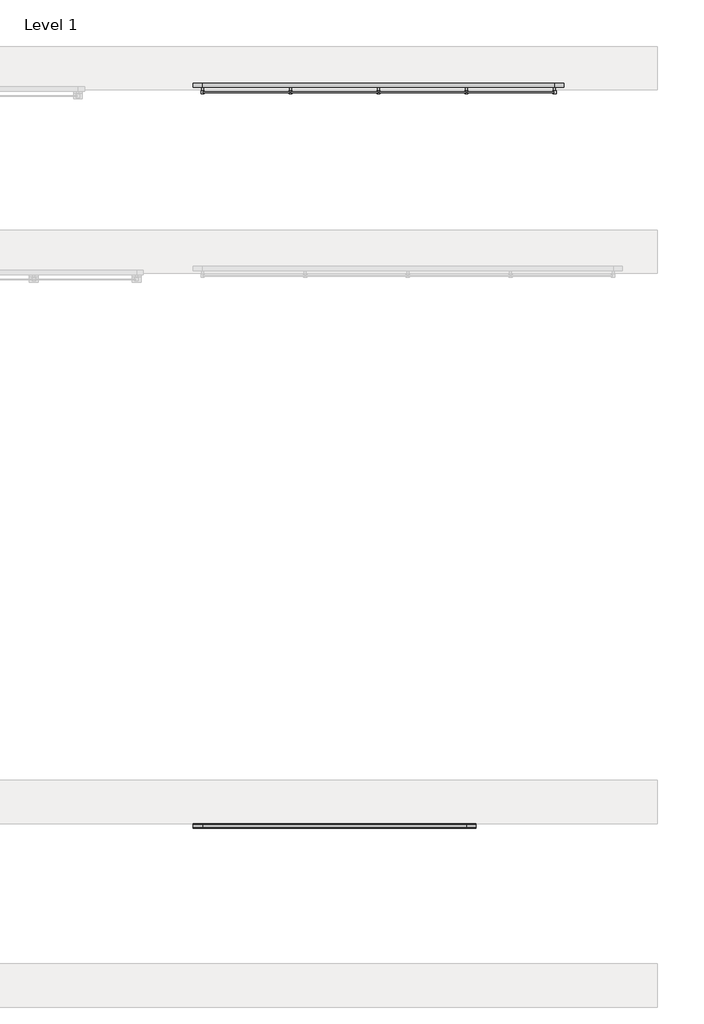
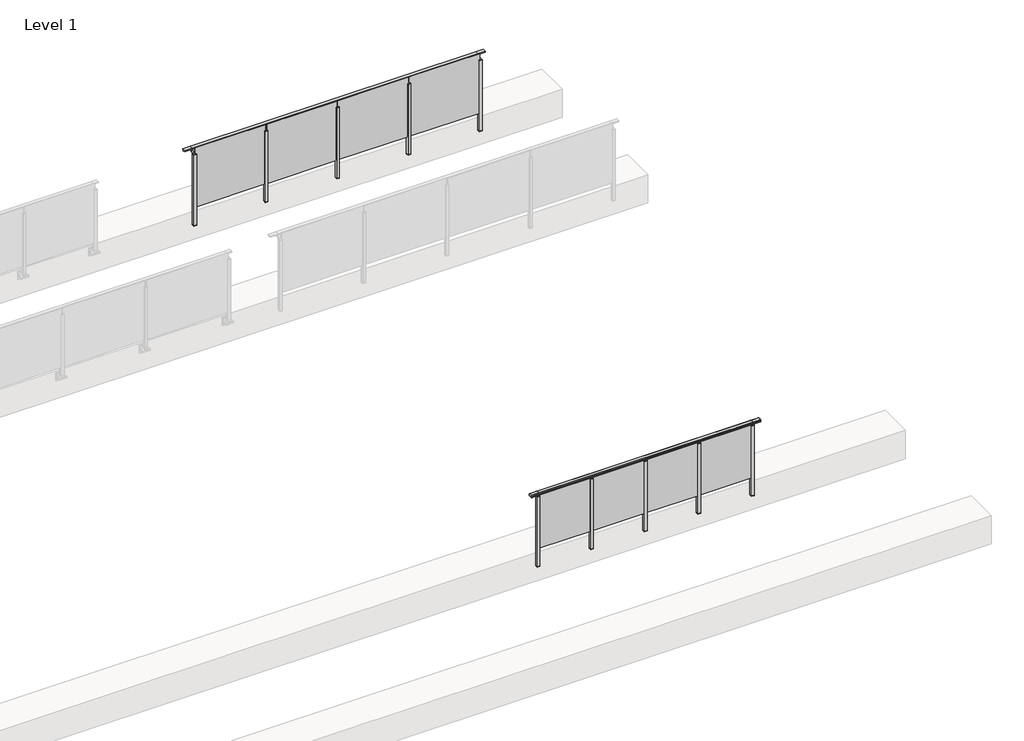
# One storey, part 61 of 64: 2 railings.
"""IFC4 building model written with IfcOpenShell, lengths in millimetres."""

from ifc_helpers import new_model, si_unit, point, frame, frame_2d, origin, place, context, project, spatial, polyline, circle_curve, trimmed, segment, composite_curve, outline, extrude, faceted_brep, element, save
from ifc_brep_helpers import plane_surface, cylinder_surface, revolved_surface, advanced_brep

model = new_model("IFC4")

# Units and contexts
model_context = context("Model", 3, world=origin())
ifc_project = project(units=[si_unit("LENGTHUNIT", "METRE", prefix="MILLI")], contexts=[model_context])

# Site, building, storey
site = spatial("IfcSite", under=ifc_project)
building = spatial("IfcBuilding", under=site)
storey = spatial("IfcBuildingStorey", under=building, Name="Level 1", Elevation=0.0)

# Railings
placement = place(None, origin())
element("IfcRailing", 1, at=placement, inside=storey, context=model_context, shape_type="SolidModel", body=[
    advanced_brep(
    [(49372.5, 37392.8633756, 1095.6691182), (49372.5, 37397.6846828, 1081.1334092), (49372.5, 37396.7413744, 1069.2539035), (49372.5, 37398.6364177, 1061.4863007), (49372.5, 37396.9894799, 1060.384124), (49372.5, 37396.9894799, 1062.0), (49372.5, 37338.3798858, 1062.0), (49372.5, 37338.3798858, 1060.384124), (49372.5, 37336.732948, 1061.4863007), (49372.5, 37338.6279912, 1069.2539035), (49372.5, 37337.6846828, 1081.1334092), (49372.5, 37342.50599, 1095.6691182), (53227.5, 37392.8633756, 1095.6691182), (53227.5, 37342.50599, 1095.6691182), (53227.5, 37337.6846828, 1081.1334092), (53227.5, 37338.6279912, 1069.2539035), (53227.5, 37336.732948, 1061.4863007), (53227.5, 37338.3798858, 1060.384124), (53227.5, 37338.3798858, 1062.0), (53227.5, 37396.9894799, 1062.0), (53227.5, 37396.9894799, 1060.384124), (53227.5, 37398.6364177, 1061.4863007), (53227.5, 37396.7413744, 1069.2539035), (53227.5, 37397.6846828, 1081.1334092), (49500.0, 37392.8633756, 1095.6691182), (49500.0, 37397.6846828, 1081.1334092), (49500.0, 37396.7413744, 1069.2539035), (49500.0, 37398.6364177, 1061.4863007), (49500.0, 37396.9894799, 1060.384124), (49500.0, 37396.9894799, 1062.0), (49500.0, 37338.3798858, 1062.0), (49500.0, 37338.3798858, 1060.384124), (49500.0, 37336.732948, 1061.4863007), (49500.0, 37338.6279912, 1069.2539035), (49500.0, 37337.6846828, 1081.1334092), (49500.0, 37342.50599, 1095.6691182), (53100.0, 37392.8633756, 1095.6691182), (53100.0, 37397.6846828, 1081.1334092), (53100.0, 37396.7413744, 1069.2539035), (53100.0, 37398.6364177, 1061.4863007), (53100.0, 37396.9894799, 1060.384124), (53100.0, 37396.9894799, 1062.0), (53100.0, 37338.3798858, 1062.0), (53100.0, 37338.3798858, 1060.384124), (53100.0, 37336.732948, 1061.4863007), (53100.0, 37338.6279912, 1069.2539035), (53100.0, 37337.6846828, 1081.1334092), (53100.0, 37342.50599, 1095.6691182)],
    [
        (0, 1, circle_curve(frame((49372.5, 37389.6223845, 1086.526686), z_axis=(-1.0, 0.0, 0.0), x_axis=(0.0, -1.0, 0.0)), 9.6999015)),
        (1, 2, circle_curve(frame((49372.5, 37415.2252545, 1073.7633709), z_axis=(1.0, 0.0, 0.0), x_axis=(0.0, -1.0, 0.0)), 19.0260117)),
        (2, 3),
        (3, 4, circle_curve(frame((49372.5, 37397.7772073, 1060.9886194), z_axis=(-1.0, 0.0, 0.0), x_axis=(0.0, -1.0, 0.0)), 0.9929396)),
        (4, 5),
        (5, 6),
        (6, 7),
        (7, 8, circle_curve(frame((49372.5, 37337.5921584, 1060.9886194), z_axis=(-1.0, 0.0, 0.0), x_axis=(0.0, 1.0, 0.0)), 0.9929396)),
        (8, 9),
        (9, 10, circle_curve(frame((49372.5, 37320.1441111, 1073.7633709), z_axis=(1.0, 0.0, 0.0), x_axis=(0.0, 1.0, 0.0)), 19.0260117)),
        (10, 11, circle_curve(frame((49372.5, 37345.7469812, 1086.526686), z_axis=(-1.0, 0.0, 0.0), x_axis=(0.0, 1.0, 0.0)), 9.6999015)),
        (11, 0, circle_curve(frame((49372.5, 37367.6846828, 1024.6431628), z_axis=(-1.0, 0.0, 0.0), x_axis=(0.0, 1.0, 0.0)), 75.3568372)),
        (12, 13, circle_curve(frame((53227.5, 37367.6846828, 1024.6431628), z_axis=(1.0, 0.0, 0.0), x_axis=(0.0, 1.0, 0.0)), 75.3568372)),
        (13, 14, circle_curve(frame((53227.5, 37345.7469812, 1086.526686), z_axis=(1.0, 0.0, 0.0), x_axis=(0.0, 1.0, 0.0)), 9.6999015)),
        (14, 15, circle_curve(frame((53227.5, 37320.1441111, 1073.7633709), z_axis=(-1.0, 0.0, 0.0), x_axis=(0.0, 1.0, 0.0)), 19.0260117)),
        (15, 16),
        (16, 17, circle_curve(frame((53227.5, 37337.5921584, 1060.9886194), z_axis=(1.0, 0.0, 0.0), x_axis=(0.0, 1.0, 0.0)), 0.9929396)),
        (17, 18),
        (18, 19),
        (19, 20),
        (20, 21, circle_curve(frame((53227.5, 37397.7772073, 1060.9886194), z_axis=(1.0, 0.0, 0.0), x_axis=(0.0, -1.0, 0.0)), 0.9929396)),
        (21, 22),
        (22, 23, circle_curve(frame((53227.5, 37415.2252545, 1073.7633709), z_axis=(-1.0, 0.0, 0.0), x_axis=(0.0, -1.0, 0.0)), 19.0260117)),
        (23, 12, circle_curve(frame((53227.5, 37389.6223845, 1086.526686), z_axis=(1.0, 0.0, 0.0), x_axis=(0.0, -1.0, 0.0)), 9.6999015)),
        (0, 24),
        (24, 25, circle_curve(frame((49500.0, 37389.6223845, 1086.526686), z_axis=(-1.0, 0.0, 0.0), x_axis=(0.0, -1.0, 0.0)), 9.6999015)),
        (25, 1),
        (25, 26, circle_curve(frame((49500.0, 37415.2252545, 1073.7633709), z_axis=(1.0, 0.0, 0.0), x_axis=(0.0, -1.0, 0.0)), 19.0260117)),
        (26, 2),
        (26, 27),
        (27, 3),
        (27, 28, circle_curve(frame((49500.0, 37397.7772073, 1060.9886194), z_axis=(-1.0, 0.0, 0.0), x_axis=(0.0, -1.0, 0.0)), 0.9929396)),
        (28, 4),
        (28, 29),
        (29, 5),
        (29, 30),
        (30, 6),
        (30, 31),
        (31, 7),
        (31, 32, circle_curve(frame((49500.0, 37337.5921584, 1060.9886194), z_axis=(-1.0, 0.0, 0.0), x_axis=(0.0, 1.0, 0.0)), 0.9929396)),
        (32, 8),
        (32, 33),
        (33, 9),
        (33, 34, circle_curve(frame((49500.0, 37320.1441111, 1073.7633709), z_axis=(1.0, 0.0, 0.0), x_axis=(0.0, 1.0, 0.0)), 19.0260117)),
        (34, 10),
        (34, 35, circle_curve(frame((49500.0, 37345.7469812, 1086.526686), z_axis=(-1.0, 0.0, 0.0), x_axis=(0.0, 1.0, 0.0)), 9.6999015)),
        (35, 11),
        (35, 24, circle_curve(frame((49500.0, 37367.6846828, 1024.6431628), z_axis=(-1.0, 0.0, 0.0), x_axis=(0.0, 1.0, 0.0)), 75.3568372)),
        (24, 36),
        (36, 37, circle_curve(frame((53100.0, 37389.6223845, 1086.526686), z_axis=(-1.0, 0.0, 0.0), x_axis=(0.0, -1.0, 0.0)), 9.6999015)),
        (37, 25),
        (37, 38, circle_curve(frame((53100.0, 37415.2252545, 1073.7633709), z_axis=(1.0, 0.0, 0.0), x_axis=(0.0, -1.0, 0.0)), 19.0260117)),
        (38, 26),
        (38, 39),
        (39, 27),
        (39, 40, circle_curve(frame((53100.0, 37397.7772073, 1060.9886194), z_axis=(-1.0, 0.0, 0.0), x_axis=(0.0, -1.0, 0.0)), 0.9929396)),
        (40, 28),
        (40, 41),
        (41, 29),
        (41, 42),
        (42, 30),
        (42, 43),
        (43, 31),
        (43, 44, circle_curve(frame((53100.0, 37337.5921584, 1060.9886194), z_axis=(-1.0, 0.0, 0.0), x_axis=(0.0, 1.0, 0.0)), 0.9929396)),
        (44, 32),
        (44, 45),
        (45, 33),
        (45, 46, circle_curve(frame((53100.0, 37320.1441111, 1073.7633709), z_axis=(1.0, 0.0, 0.0), x_axis=(0.0, 1.0, 0.0)), 19.0260117)),
        (46, 34),
        (46, 47, circle_curve(frame((53100.0, 37345.7469812, 1086.526686), z_axis=(-1.0, 0.0, 0.0), x_axis=(0.0, 1.0, 0.0)), 9.6999015)),
        (47, 35),
        (47, 36, circle_curve(frame((53100.0, 37367.6846828, 1024.6431628), z_axis=(-1.0, 0.0, 0.0), x_axis=(0.0, 1.0, 0.0)), 75.3568372)),
        (36, 12),
        (23, 37),
        (22, 38),
        (21, 39),
        (20, 40),
        (19, 41),
        (18, 42),
        (17, 43),
        (16, 44),
        (15, 45),
        (14, 46),
        (13, 47),
    ],
    [
        plane_surface(frame((49372.5, 37367.6846828, 1100.0), z_axis=(-1.0, 0.0, 0.0), x_axis=(0.0, 1.0, 0.0))),
        plane_surface(frame((53227.5, 37367.6846828, 1100.0), z_axis=(1.0, 0.0, 0.0), x_axis=(0.0, 1.0, 0.0))),
        cylinder_surface(frame((49372.5, 37389.6223845, 1086.526686), z_axis=(-1.0, 0.0, 0.0), x_axis=(0.0, -1.0, 0.0)), 9.6999015),
        revolved_surface(polyline([(49500.0, 37396.1992428, 1073.7633709), (49372.5, 37396.1992428, 1073.7633709)]), (49372.5, 37415.2252545, 1073.7633709), (1.0, 0.0, 0.0)),
        plane_surface(frame((49372.5, 37396.7413744, 1069.2539035), z_axis=(0.0, 0.9715057689301543, 0.2370159086125439), x_axis=(1.0, 0.0, 0.0))),
        cylinder_surface(frame((49372.5, 37397.7772073, 1060.9886194), z_axis=(-1.0, 0.0, 0.0), x_axis=(0.0, -1.0, 0.0)), 0.9929396),
        plane_surface(frame((49372.5, 37396.9894799, 1060.384124), z_axis=(0.0, -1.0, 0.0), x_axis=(1.0, 0.0, 0.0))),
        plane_surface(frame((49372.5, 37396.9894799, 1062.0), z_axis=(0.0, 0.0, -1.0), x_axis=(1.0, 0.0, 0.0))),
        plane_surface(frame((49372.5, 37338.3798858, 1062.0), z_axis=(0.0, 1.0, 0.0), x_axis=(1.0, 0.0, 0.0))),
        cylinder_surface(frame((49372.5, 37337.5921584, 1060.9886194), z_axis=(-1.0, 0.0, 0.0), x_axis=(0.0, 1.0, 0.0)), 0.9929396),
        plane_surface(frame((49372.5, 37336.732948, 1061.4863007), z_axis=(0.0, -0.9715057689301543, 0.2370159086125439), x_axis=(1.0, 0.0, 0.0))),
        revolved_surface(polyline([(49500.0, 37339.1701228, 1073.7633709), (49372.5, 37339.1701228, 1073.7633709)]), (49372.5, 37320.1441111, 1073.7633709), (1.0, 0.0, 0.0)),
        cylinder_surface(frame((49372.5, 37345.7469812, 1086.526686), z_axis=(-1.0, 0.0, 0.0), x_axis=(0.0, 1.0, 0.0)), 9.6999015),
        cylinder_surface(frame((49372.5, 37367.6846828, 1024.6431628), z_axis=(-1.0, 0.0, 0.0), x_axis=(0.0, 1.0, 0.0)), 75.3568372),
        cylinder_surface(frame((49500.0, 37389.6223845, 1086.526686), z_axis=(-1.0, 0.0, 0.0), x_axis=(0.0, -1.0, 0.0)), 9.6999015),
        revolved_surface(polyline([(53100.0, 37396.1992428, 1073.7633709), (49500.0, 37396.1992428, 1073.7633709)]), (49500.0, 37415.2252545, 1073.7633709), (1.0, 0.0, 0.0)),
        plane_surface(frame((49500.0, 37396.7413744, 1069.2539035), z_axis=(0.0, 0.9715057689301543, 0.2370159086125439), x_axis=(1.0, 0.0, 0.0))),
        cylinder_surface(frame((49500.0, 37397.7772073, 1060.9886194), z_axis=(-1.0, 0.0, 0.0), x_axis=(0.0, -1.0, 0.0)), 0.9929396),
        plane_surface(frame((49500.0, 37396.9894799, 1060.384124), z_axis=(0.0, -1.0, 0.0), x_axis=(1.0, 0.0, 0.0))),
        plane_surface(frame((49500.0, 37396.9894799, 1062.0), z_axis=(0.0, 0.0, -1.0), x_axis=(1.0, 0.0, 0.0))),
        plane_surface(frame((49500.0, 37338.3798858, 1062.0), z_axis=(0.0, 1.0, 0.0), x_axis=(1.0, 0.0, 0.0))),
        cylinder_surface(frame((49500.0, 37337.5921584, 1060.9886194), z_axis=(-1.0, 0.0, 0.0), x_axis=(0.0, 1.0, 0.0)), 0.9929396),
        plane_surface(frame((49500.0, 37336.732948, 1061.4863007), z_axis=(0.0, -0.9715057689301543, 0.2370159086125439), x_axis=(1.0, 0.0, 0.0))),
        revolved_surface(polyline([(53100.0, 37339.1701228, 1073.7633709), (49500.0, 37339.1701228, 1073.7633709)]), (49500.0, 37320.1441111, 1073.7633709), (1.0, 0.0, 0.0)),
        cylinder_surface(frame((49500.0, 37345.7469812, 1086.526686), z_axis=(-1.0, 0.0, 0.0), x_axis=(0.0, 1.0, 0.0)), 9.6999015),
        cylinder_surface(frame((49500.0, 37367.6846828, 1024.6431628), z_axis=(-1.0, 0.0, 0.0), x_axis=(0.0, 1.0, 0.0)), 75.3568372),
        cylinder_surface(frame((53100.0, 37389.6223845, 1086.526686), z_axis=(-1.0, 0.0, 0.0), x_axis=(0.0, -1.0, 0.0)), 9.6999015),
        revolved_surface(polyline([(53227.5, 37396.1992428, 1073.7633709), (53100.0, 37396.1992428, 1073.7633709)]), (53100.0, 37415.2252545, 1073.7633709), (1.0, 0.0, 0.0)),
        plane_surface(frame((53100.0, 37396.7413744, 1069.2539035), z_axis=(0.0, 0.9715057689301543, 0.2370159086125439), x_axis=(1.0, 0.0, 0.0))),
        cylinder_surface(frame((53100.0, 37397.7772073, 1060.9886194), z_axis=(-1.0, 0.0, 0.0), x_axis=(0.0, -1.0, 0.0)), 0.9929396),
        plane_surface(frame((53100.0, 37396.9894799, 1060.384124), z_axis=(0.0, -1.0, 0.0), x_axis=(1.0, 0.0, 0.0))),
        plane_surface(frame((53100.0, 37396.9894799, 1062.0), z_axis=(0.0, 0.0, -1.0), x_axis=(1.0, 0.0, 0.0))),
        plane_surface(frame((53100.0, 37338.3798858, 1062.0), z_axis=(0.0, 1.0, 0.0), x_axis=(1.0, 0.0, 0.0))),
        cylinder_surface(frame((53100.0, 37337.5921584, 1060.9886194), z_axis=(-1.0, 0.0, 0.0), x_axis=(0.0, 1.0, 0.0)), 0.9929396),
        plane_surface(frame((53100.0, 37336.732948, 1061.4863007), z_axis=(0.0, -0.9715057689301543, 0.2370159086125439), x_axis=(1.0, 0.0, 0.0))),
        revolved_surface(polyline([(53227.5, 37339.1701228, 1073.7633709), (53100.0, 37339.1701228, 1073.7633709)]), (53100.0, 37320.1441111, 1073.7633709), (1.0, 0.0, 0.0)),
        cylinder_surface(frame((53100.0, 37345.7469812, 1086.526686), z_axis=(-1.0, 0.0, 0.0), x_axis=(0.0, 1.0, 0.0)), 9.6999015),
        cylinder_surface(frame((53100.0, 37367.6846828, 1024.6431628), z_axis=(-1.0, 0.0, 0.0), x_axis=(0.0, 1.0, 0.0)), 75.3568372),
    ],
    [
        (0, [[1, 2, 3, 4, 5, 6, 7, 8, 9, 10, 11, 12]]),
        (1, [[13, 14, 15, 16, 17, 18, 19, 20, 21, 22, 23, 24]]),
        (2, [[-1, 25, 26, 27]]),
        (3, [[-2, -27, 28, 29]]),
        (4, [[-3, -29, 30, 31]]),
        (5, [[-4, -31, 32, 33]]),
        (6, [[-5, -33, 34, 35]]),
        (7, [[-6, -35, 36, 37]]),
        (8, [[-7, -37, 38, 39]]),
        (9, [[-8, -39, 40, 41]]),
        (10, [[-9, -41, 42, 43]]),
        (11, [[-10, -43, 44, 45]]),
        (12, [[-11, -45, 46, 47]]),
        (13, [[-12, -47, 48, -25]]),
        (14, [[-26, 49, 50, 51]]),
        (15, [[-28, -51, 52, 53]]),
        (16, [[-30, -53, 54, 55]]),
        (17, [[-32, -55, 56, 57]]),
        (18, [[-34, -57, 58, 59]]),
        (19, [[-36, -59, 60, 61]]),
        (20, [[-38, -61, 62, 63]]),
        (21, [[-40, -63, 64, 65]]),
        (22, [[-42, -65, 66, 67]]),
        (23, [[-44, -67, 68, 69]]),
        (24, [[-46, -69, 70, 71]]),
        (25, [[-48, -71, 72, -49]]),
        (26, [[-50, 73, -24, 74]]),
        (27, [[-52, -74, -23, 75]]),
        (28, [[-54, -75, -22, 76]]),
        (29, [[-56, -76, -21, 77]]),
        (30, [[-58, -77, -20, 78]]),
        (31, [[-60, -78, -19, 79]]),
        (32, [[-62, -79, -18, 80]]),
        (33, [[-64, -80, -17, 81]]),
        (34, [[-66, -81, -16, 82]]),
        (35, [[-68, -82, -15, 83]]),
        (36, [[-70, -83, -14, 84]]),
        (37, [[-72, -84, -13, -73]]),
    ],
),
    extrude(outline(polyline([(52210.0, 37361.9094929), (52210.0, 37371.9094929), (53090.0, 37371.9094929), (53090.0, 37361.9094929), (52210.0, 37361.9094929)])), frame((0.0, 0.0, 95.0), z_axis=(0.0, 0.0, 1.0), x_axis=(1.0, 0.0, 0.0)), (0.0, 0.0, 1.0), 960.0),
    extrude(outline(polyline([(52222.5, 37390.1846828), (52222.5, 37345.1846828), (52177.5, 37345.1846828), (52177.5, 37390.1846828), (52222.5, 37390.1846828)])), frame((0.0, 0.0, 1027.0), z_axis=(0.0, 0.0, 1.0), x_axis=(1.0, 0.0, 0.0)), (0.0, 0.0, 1.0), 8.0),
    extrude(outline(polyline([(52222.5, 37390.1846828), (52222.5, 37345.1846828), (52177.5, 37345.1846828), (52177.5, 37390.1846828), (52222.5, 37390.1846828)])), frame((0.0, 0.0, -212.0), z_axis=(0.0, 0.0, 1.0), x_axis=(1.0, 0.0, 0.0)), (0.0, 0.0, 1.0), 1239.0),
    extrude(outline(polyline([(52210.0, 37377.6846828), (52210.0, 37357.6846828), (52190.0, 37357.6846828), (52190.0, 37377.6846828), (52210.0, 37377.6846828)])), frame((0.0, 0.0, 1035.0), z_axis=(0.0, 0.0, 1.0), x_axis=(1.0, 0.0, 0.0)), (0.0, 0.0, 1.0), 20.0),
    extrude(outline(polyline([(52222.5, 37390.1846828), (52222.5, 37345.1846828), (52177.5, 37345.1846828), (52177.5, 37390.1846828), (52222.5, 37390.1846828)])), frame((0.0, 0.0, -220.0), z_axis=(0.0, 0.0, 1.0), x_axis=(1.0, 0.0, 0.0)), (0.0, 0.0, 1.0), 8.0),
    extrude(outline(polyline([(51310.0, 37361.9094929), (51310.0, 37371.9094929), (52190.0, 37371.9094929), (52190.0, 37361.9094929), (51310.0, 37361.9094929)])), frame((0.0, 0.0, 95.0), z_axis=(0.0, 0.0, 1.0), x_axis=(1.0, 0.0, 0.0)), (0.0, 0.0, 1.0), 960.0),
    extrude(outline(polyline([(51322.5, 37390.1846828), (51322.5, 37345.1846828), (51277.5, 37345.1846828), (51277.5, 37390.1846828), (51322.5, 37390.1846828)])), frame((0.0, 0.0, 1027.0), z_axis=(0.0, 0.0, 1.0), x_axis=(1.0, 0.0, 0.0)), (0.0, 0.0, 1.0), 8.0),
    extrude(outline(polyline([(51322.5, 37390.1846828), (51322.5, 37345.1846828), (51277.5, 37345.1846828), (51277.5, 37390.1846828), (51322.5, 37390.1846828)])), frame((0.0, 0.0, -212.0), z_axis=(0.0, 0.0, 1.0), x_axis=(1.0, 0.0, 0.0)), (0.0, 0.0, 1.0), 1239.0),
    extrude(outline(polyline([(51310.0, 37377.6846828), (51310.0, 37357.6846828), (51290.0, 37357.6846828), (51290.0, 37377.6846828), (51310.0, 37377.6846828)])), frame((0.0, 0.0, 1035.0), z_axis=(0.0, 0.0, 1.0), x_axis=(1.0, 0.0, 0.0)), (0.0, 0.0, 1.0), 20.0),
    extrude(outline(polyline([(51322.5, 37390.1846828), (51322.5, 37345.1846828), (51277.5, 37345.1846828), (51277.5, 37390.1846828), (51322.5, 37390.1846828)])), frame((0.0, 0.0, -220.0), z_axis=(0.0, 0.0, 1.0), x_axis=(1.0, 0.0, 0.0)), (0.0, 0.0, 1.0), 8.0),
    extrude(outline(polyline([(50410.0, 37361.9094929), (50410.0, 37371.9094929), (51290.0, 37371.9094929), (51290.0, 37361.9094929), (50410.0, 37361.9094929)])), frame((0.0, 0.0, 95.0), z_axis=(0.0, 0.0, 1.0), x_axis=(1.0, 0.0, 0.0)), (0.0, 0.0, 1.0), 960.0),
    extrude(outline(polyline([(50422.5, 37390.1846828), (50422.5, 37345.1846828), (50377.5, 37345.1846828), (50377.5, 37390.1846828), (50422.5, 37390.1846828)])), frame((0.0, 0.0, 1027.0), z_axis=(0.0, 0.0, 1.0), x_axis=(1.0, 0.0, 0.0)), (0.0, 0.0, 1.0), 8.0),
    extrude(outline(polyline([(50422.5, 37390.1846828), (50422.5, 37345.1846828), (50377.5, 37345.1846828), (50377.5, 37390.1846828), (50422.5, 37390.1846828)])), frame((0.0, 0.0, -212.0), z_axis=(0.0, 0.0, 1.0), x_axis=(1.0, 0.0, 0.0)), (0.0, 0.0, 1.0), 1239.0),
    extrude(outline(polyline([(50410.0, 37377.6846828), (50410.0, 37357.6846828), (50390.0, 37357.6846828), (50390.0, 37377.6846828), (50410.0, 37377.6846828)])), frame((0.0, 0.0, 1035.0), z_axis=(0.0, 0.0, 1.0), x_axis=(1.0, 0.0, 0.0)), (0.0, 0.0, 1.0), 20.0),
    extrude(outline(polyline([(50422.5, 37390.1846828), (50422.5, 37345.1846828), (50377.5, 37345.1846828), (50377.5, 37390.1846828), (50422.5, 37390.1846828)])), frame((0.0, 0.0, -220.0), z_axis=(0.0, 0.0, 1.0), x_axis=(1.0, 0.0, 0.0)), (0.0, 0.0, 1.0), 8.0),
    extrude(outline(polyline([(49510.0, 37361.9094929), (49510.0, 37371.9094929), (50390.0, 37371.9094929), (50390.0, 37361.9094929), (49510.0, 37361.9094929)])), frame((0.0, 0.0, 95.0), z_axis=(0.0, 0.0, 1.0), x_axis=(1.0, 0.0, 0.0)), (0.0, 0.0, 1.0), 960.0),
    extrude(outline(polyline([(53122.5, 37390.1846828), (53122.5, 37345.1846828), (53077.5, 37345.1846828), (53077.5, 37390.1846828), (53122.5, 37390.1846828)])), frame((0.0, 0.0, 1027.0), z_axis=(0.0, 0.0, 1.0), x_axis=(1.0, 0.0, 0.0)), (0.0, 0.0, 1.0), 8.0),
    extrude(outline(polyline([(53122.5, 37390.1846828), (53122.5, 37345.1846828), (53077.5, 37345.1846828), (53077.5, 37390.1846828), (53122.5, 37390.1846828)])), frame((0.0, 0.0, -212.0), z_axis=(0.0, 0.0, 1.0), x_axis=(1.0, 0.0, 0.0)), (0.0, 0.0, 1.0), 1239.0),
    extrude(outline(polyline([(53110.0, 37377.6846828), (53110.0, 37357.6846828), (53090.0, 37357.6846828), (53090.0, 37377.6846828), (53110.0, 37377.6846828)])), frame((0.0, 0.0, 1035.0), z_axis=(0.0, 0.0, 1.0), x_axis=(1.0, 0.0, 0.0)), (0.0, 0.0, 1.0), 20.0),
    extrude(outline(polyline([(53122.5, 37390.1846828), (53122.5, 37345.1846828), (53077.5, 37345.1846828), (53077.5, 37390.1846828), (53122.5, 37390.1846828)])), frame((0.0, 0.0, -220.0), z_axis=(0.0, 0.0, 1.0), x_axis=(1.0, 0.0, 0.0)), (0.0, 0.0, 1.0), 8.0),
    extrude(outline(polyline([(49522.5, 37390.1846828), (49522.5, 37345.1846828), (49477.5, 37345.1846828), (49477.5, 37390.1846828), (49522.5, 37390.1846828)])), frame((0.0, 0.0, 1027.0), z_axis=(0.0, 0.0, 1.0), x_axis=(1.0, 0.0, 0.0)), (0.0, 0.0, 1.0), 8.0),
    extrude(outline(polyline([(49522.5, 37390.1846828), (49522.5, 37345.1846828), (49477.5, 37345.1846828), (49477.5, 37390.1846828), (49522.5, 37390.1846828)])), frame((0.0, 0.0, -212.0), z_axis=(0.0, 0.0, 1.0), x_axis=(1.0, 0.0, 0.0)), (0.0, 0.0, 1.0), 1239.0),
    extrude(outline(polyline([(49510.0, 37377.6846828), (49510.0, 37357.6846828), (49490.0, 37357.6846828), (49490.0, 37377.6846828), (49510.0, 37377.6846828)])), frame((0.0, 0.0, 1035.0), z_axis=(0.0, 0.0, 1.0), x_axis=(1.0, 0.0, 0.0)), (0.0, 0.0, 1.0), 20.0),
    extrude(outline(polyline([(49522.5, 37390.1846828), (49522.5, 37345.1846828), (49477.5, 37345.1846828), (49477.5, 37390.1846828), (49522.5, 37390.1846828)])), frame((0.0, 0.0, -220.0), z_axis=(0.0, 0.0, 1.0), x_axis=(1.0, 0.0, 0.0)), (0.0, 0.0, 1.0), 8.0),
])
element("IfcRailing", 2, at=placement, inside=storey, context=model_context, shape_type="SolidModel", body=[
    faceted_brep([(49500.0, 47493.1846828, 1085.0), (49500.0, 47493.1846828, 1100.0), (54300.0, 47493.1846828, 1100.0), (54300.0, 47493.1846828, 1085.0), (49500.0, 47433.1846828, 1085.0), (49500.0, 47473.1846828, 1085.0), (54300.0, 47473.1846828, 1085.0), (54300.0, 47433.1846828, 1085.0), (49500.0, 47433.1846828, 1100.0), (54300.0, 47433.1846828, 1100.0), (49372.5, 47493.1846828, 1100.0), (49372.5, 47493.1846828, 1085.0), (49372.5, 47478.1846828, 1085.0), (49372.5, 47478.1846828, 1073.0), (49372.5, 47473.1846828, 1073.0), (49372.5, 47473.1846828, 1085.0), (49372.5, 47433.1846828, 1085.0), (49372.5, 47433.1846828, 1100.0), (54427.5, 47493.1846828, 1100.0), (54427.5, 47433.1846828, 1100.0), (54427.5, 47433.1846828, 1085.0), (54427.5, 47473.1846828, 1085.0), (54427.5, 47473.1846828, 1073.0), (54427.5, 47478.1846828, 1073.0), (54427.5, 47478.1846828, 1085.0), (54427.5, 47493.1846828, 1085.0), (49500.0, 47478.1846828, 1085.0), (54300.0, 47478.1846828, 1085.0), (49500.0, 47478.1846828, 1073.0), (49500.0, 47473.1846828, 1073.0), (54300.0, 47478.1846828, 1073.0), (54300.0, 47473.1846828, 1073.0)], [[[0, 1, 2, 3]], [[4, 5, 6, 7]], [[8, 4, 7, 9]], [[1, 8, 9, 2]], [[10, 11, 12, 13, 14, 15, 16, 17]], [[11, 10, 1, 0]], [[16, 15, 5, 4]], [[17, 16, 4, 8]], [[10, 17, 8, 1]], [[18, 19, 20, 21, 22, 23, 24, 25]], [[3, 2, 18, 25]], [[7, 6, 21, 20]], [[9, 7, 20, 19]], [[2, 9, 19, 18]], [[12, 11, 0, 26]], [[26, 0, 3, 27]], [[27, 3, 25, 24]], [[13, 12, 26, 28]], [[14, 13, 28, 29]], [[15, 14, 29, 5]], [[28, 26, 27, 30]], [[29, 28, 30, 31]], [[5, 29, 31, 6]], [[30, 27, 24, 23]], [[31, 30, 23, 22]], [[6, 31, 22, 21]]]),
    extrude(outline(polyline([(53110.0, 47361.9094929), (53110.0, 47371.9094929), (54290.0, 47371.9094929), (54290.0, 47361.9094929), (53110.0, 47361.9094929)])), frame((0.0, 0.0, 95.0), z_axis=(0.0, 0.0, 1.0), x_axis=(1.0, 0.0, 0.0)), (0.0, 0.0, 1.0), 1055.0),
    extrude(outline(composite_curve([segment(polyline([(47478.1846828, 1085.0), (47478.1846828, 1060.900037)]), True, "CONTINUOUS"), segment(trimmed(circle_curve(frame_2d((47468.1846828, 1060.900037)), 10.0), [point((47478.1846828, 1060.900037))], [point((47470.7728733, 1051.2407787))], False, "CARTESIAN"), True, "CONTINUOUS"), segment(polyline([(47470.7728733, 1051.2407787), (47413.7244733, 1035.9547061)]), True, "CONTINUOUS"), segment(trimmed(circle_curve(frame_2d((47416.3126638, 1026.2954478)), 10.0), [point((47413.7244733, 1035.9547061))], [point((47406.3982152, 1027.6007097))], True, "CARTESIAN"), True, "CONTINUOUS"), segment(polyline([(47406.3982152, 1027.6007097), (47401.791393, 992.6084214)]), True, "CONTINUOUS"), segment(trimmed(circle_curve(frame_2d((47398.8170584, 993.0)), 3.0), [point((47401.791393, 992.6084214))], [point((47398.8170584, 990.0))], False, "CARTESIAN"), True, "CONTINUOUS"), segment(polyline([(47398.8170584, 990.0), (47390.1846828, 990.0), (47390.1846828, 1040.0), (47454.1846828, 1057.1487483), (47454.1846828, 1085.0), (47478.1846828, 1085.0)]), True, "CONTINUOUS")], self_intersect=False)), frame((53087.5, 0.0, 0.0), z_axis=(1.0, 0.0, 0.0), x_axis=(0.0, 1.0, 0.0)), (0.0, 0.0, 1.0), 25.0),
    extrude(outline(polyline([(53122.5, 47390.1846828), (53122.5, 47345.1846828), (53077.5, 47345.1846828), (53077.5, 47390.1846828), (53122.5, 47390.1846828)])), frame((0.0, 0.0, 1040.0), z_axis=(0.0, 0.0, 1.0), x_axis=(1.0, 0.0, 0.0)), (0.0, 0.0, 1.0), 5.0),
    extrude(outline(polyline([(53122.5, 47390.1846828), (53122.5, 47345.1846828), (53077.5, 47345.1846828), (53077.5, 47390.1846828), (53122.5, 47390.1846828)])), frame((0.0, 0.0, -212.0), z_axis=(0.0, 0.0, 1.0), x_axis=(1.0, 0.0, 0.0)), (0.0, 0.0, 1.0), 1252.0),
    extrude(outline(polyline([(53122.5, 47390.1846828), (53122.5, 47345.1846828), (53077.5, 47345.1846828), (53077.5, 47390.1846828), (53122.5, 47390.1846828)])), frame((0.0, 0.0, -220.0), z_axis=(0.0, 0.0, 1.0), x_axis=(1.0, 0.0, 0.0)), (0.0, 0.0, 1.0), 8.0),
    extrude(outline(polyline([(51910.0, 47361.9094929), (51910.0, 47371.9094929), (53090.0, 47371.9094929), (53090.0, 47361.9094929), (51910.0, 47361.9094929)])), frame((0.0, 0.0, 95.0), z_axis=(0.0, 0.0, 1.0), x_axis=(1.0, 0.0, 0.0)), (0.0, 0.0, 1.0), 1055.0),
    extrude(outline(composite_curve([segment(polyline([(47478.1846828, 1085.0), (47478.1846828, 1060.900037)]), True, "CONTINUOUS"), segment(trimmed(circle_curve(frame_2d((47468.1846828, 1060.900037)), 10.0), [point((47478.1846828, 1060.900037))], [point((47470.7728733, 1051.2407787))], False, "CARTESIAN"), True, "CONTINUOUS"), segment(polyline([(47470.7728733, 1051.2407787), (47413.7244733, 1035.9547061)]), True, "CONTINUOUS"), segment(trimmed(circle_curve(frame_2d((47416.3126638, 1026.2954478)), 10.0), [point((47413.7244733, 1035.9547061))], [point((47406.3982152, 1027.6007097))], True, "CARTESIAN"), True, "CONTINUOUS"), segment(polyline([(47406.3982152, 1027.6007097), (47401.791393, 992.6084214)]), True, "CONTINUOUS"), segment(trimmed(circle_curve(frame_2d((47398.8170584, 993.0)), 3.0), [point((47401.791393, 992.6084214))], [point((47398.8170584, 990.0))], False, "CARTESIAN"), True, "CONTINUOUS"), segment(polyline([(47398.8170584, 990.0), (47390.1846828, 990.0), (47390.1846828, 1040.0), (47454.1846828, 1057.1487483), (47454.1846828, 1085.0), (47478.1846828, 1085.0)]), True, "CONTINUOUS")], self_intersect=False)), frame((51887.5, 0.0, 0.0), z_axis=(1.0, 0.0, 0.0), x_axis=(0.0, 1.0, 0.0)), (0.0, 0.0, 1.0), 25.0),
    extrude(outline(polyline([(51922.5, 47390.1846828), (51922.5, 47345.1846828), (51877.5, 47345.1846828), (51877.5, 47390.1846828), (51922.5, 47390.1846828)])), frame((0.0, 0.0, 1040.0), z_axis=(0.0, 0.0, 1.0), x_axis=(1.0, 0.0, 0.0)), (0.0, 0.0, 1.0), 5.0),
    extrude(outline(polyline([(51922.5, 47390.1846828), (51922.5, 47345.1846828), (51877.5, 47345.1846828), (51877.5, 47390.1846828), (51922.5, 47390.1846828)])), frame((0.0, 0.0, -212.0), z_axis=(0.0, 0.0, 1.0), x_axis=(1.0, 0.0, 0.0)), (0.0, 0.0, 1.0), 1252.0),
    extrude(outline(polyline([(51922.5, 47390.1846828), (51922.5, 47345.1846828), (51877.5, 47345.1846828), (51877.5, 47390.1846828), (51922.5, 47390.1846828)])), frame((0.0, 0.0, -220.0), z_axis=(0.0, 0.0, 1.0), x_axis=(1.0, 0.0, 0.0)), (0.0, 0.0, 1.0), 8.0),
    extrude(outline(polyline([(50710.0, 47361.9094929), (50710.0, 47371.9094929), (51890.0, 47371.9094929), (51890.0, 47361.9094929), (50710.0, 47361.9094929)])), frame((0.0, 0.0, 95.0), z_axis=(0.0, 0.0, 1.0), x_axis=(1.0, 0.0, 0.0)), (0.0, 0.0, 1.0), 1055.0),
    extrude(outline(composite_curve([segment(polyline([(47478.1846828, 1085.0), (47478.1846828, 1060.900037)]), True, "CONTINUOUS"), segment(trimmed(circle_curve(frame_2d((47468.1846828, 1060.900037)), 10.0), [point((47478.1846828, 1060.900037))], [point((47470.7728733, 1051.2407787))], False, "CARTESIAN"), True, "CONTINUOUS"), segment(polyline([(47470.7728733, 1051.2407787), (47413.7244733, 1035.9547061)]), True, "CONTINUOUS"), segment(trimmed(circle_curve(frame_2d((47416.3126638, 1026.2954478)), 10.0), [point((47413.7244733, 1035.9547061))], [point((47406.3982152, 1027.6007097))], True, "CARTESIAN"), True, "CONTINUOUS"), segment(polyline([(47406.3982152, 1027.6007097), (47401.791393, 992.6084214)]), True, "CONTINUOUS"), segment(trimmed(circle_curve(frame_2d((47398.8170584, 993.0)), 3.0), [point((47401.791393, 992.6084214))], [point((47398.8170584, 990.0))], False, "CARTESIAN"), True, "CONTINUOUS"), segment(polyline([(47398.8170584, 990.0), (47390.1846828, 990.0), (47390.1846828, 1040.0), (47454.1846828, 1057.1487483), (47454.1846828, 1085.0), (47478.1846828, 1085.0)]), True, "CONTINUOUS")], self_intersect=False)), frame((50687.5, 0.0, 0.0), z_axis=(1.0, 0.0, 0.0), x_axis=(0.0, 1.0, 0.0)), (0.0, 0.0, 1.0), 25.0),
    extrude(outline(polyline([(50722.5, 47390.1846828), (50722.5, 47345.1846828), (50677.5, 47345.1846828), (50677.5, 47390.1846828), (50722.5, 47390.1846828)])), frame((0.0, 0.0, 1040.0), z_axis=(0.0, 0.0, 1.0), x_axis=(1.0, 0.0, 0.0)), (0.0, 0.0, 1.0), 5.0),
    extrude(outline(polyline([(50722.5, 47390.1846828), (50722.5, 47345.1846828), (50677.5, 47345.1846828), (50677.5, 47390.1846828), (50722.5, 47390.1846828)])), frame((0.0, 0.0, -212.0), z_axis=(0.0, 0.0, 1.0), x_axis=(1.0, 0.0, 0.0)), (0.0, 0.0, 1.0), 1252.0),
    extrude(outline(polyline([(50722.5, 47390.1846828), (50722.5, 47345.1846828), (50677.5, 47345.1846828), (50677.5, 47390.1846828), (50722.5, 47390.1846828)])), frame((0.0, 0.0, -220.0), z_axis=(0.0, 0.0, 1.0), x_axis=(1.0, 0.0, 0.0)), (0.0, 0.0, 1.0), 8.0),
    extrude(outline(polyline([(49510.0, 47361.9094929), (49510.0, 47371.9094929), (50690.0, 47371.9094929), (50690.0, 47361.9094929), (49510.0, 47361.9094929)])), frame((0.0, 0.0, 95.0), z_axis=(0.0, 0.0, 1.0), x_axis=(1.0, 0.0, 0.0)), (0.0, 0.0, 1.0), 1055.0),
    extrude(outline(composite_curve([segment(polyline([(47478.1846828, 1085.0), (47478.1846828, 1060.900037)]), True, "CONTINUOUS"), segment(trimmed(circle_curve(frame_2d((47468.1846828, 1060.900037)), 10.0), [point((47478.1846828, 1060.900037))], [point((47470.7728733, 1051.2407787))], False, "CARTESIAN"), True, "CONTINUOUS"), segment(polyline([(47470.7728733, 1051.2407787), (47413.7244733, 1035.9547061)]), True, "CONTINUOUS"), segment(trimmed(circle_curve(frame_2d((47416.3126638, 1026.2954478)), 10.0), [point((47413.7244733, 1035.9547061))], [point((47406.3982152, 1027.6007097))], True, "CARTESIAN"), True, "CONTINUOUS"), segment(polyline([(47406.3982152, 1027.6007097), (47401.791393, 992.6084214)]), True, "CONTINUOUS"), segment(trimmed(circle_curve(frame_2d((47398.8170584, 993.0)), 3.0), [point((47401.791393, 992.6084214))], [point((47398.8170584, 990.0))], False, "CARTESIAN"), True, "CONTINUOUS"), segment(polyline([(47398.8170584, 990.0), (47390.1846828, 990.0), (47390.1846828, 1040.0), (47454.1846828, 1057.1487483), (47454.1846828, 1085.0), (47478.1846828, 1085.0)]), True, "CONTINUOUS")], self_intersect=False)), frame((54287.5, 0.0, 0.0), z_axis=(1.0, 0.0, 0.0), x_axis=(0.0, 1.0, 0.0)), (0.0, 0.0, 1.0), 25.0),
    extrude(outline(polyline([(54322.5, 47390.1846828), (54322.5, 47345.1846828), (54277.5, 47345.1846828), (54277.5, 47390.1846828), (54322.5, 47390.1846828)])), frame((0.0, 0.0, 1040.0), z_axis=(0.0, 0.0, 1.0), x_axis=(1.0, 0.0, 0.0)), (0.0, 0.0, 1.0), 5.0),
    extrude(outline(polyline([(54322.5, 47390.1846828), (54322.5, 47345.1846828), (54277.5, 47345.1846828), (54277.5, 47390.1846828), (54322.5, 47390.1846828)])), frame((0.0, 0.0, -212.0), z_axis=(0.0, 0.0, 1.0), x_axis=(1.0, 0.0, 0.0)), (0.0, 0.0, 1.0), 1252.0),
    extrude(outline(polyline([(54322.5, 47390.1846828), (54322.5, 47345.1846828), (54277.5, 47345.1846828), (54277.5, 47390.1846828), (54322.5, 47390.1846828)])), frame((0.0, 0.0, -220.0), z_axis=(0.0, 0.0, 1.0), x_axis=(1.0, 0.0, 0.0)), (0.0, 0.0, 1.0), 8.0),
    extrude(outline(composite_curve([segment(polyline([(47478.1846828, 1085.0), (47478.1846828, 1060.900037)]), True, "CONTINUOUS"), segment(trimmed(circle_curve(frame_2d((47468.1846828, 1060.900037)), 10.0), [point((47478.1846828, 1060.900037))], [point((47470.7728733, 1051.2407787))], False, "CARTESIAN"), True, "CONTINUOUS"), segment(polyline([(47470.7728733, 1051.2407787), (47413.7244733, 1035.9547061)]), True, "CONTINUOUS"), segment(trimmed(circle_curve(frame_2d((47416.3126638, 1026.2954478)), 10.0), [point((47413.7244733, 1035.9547061))], [point((47406.3982152, 1027.6007097))], True, "CARTESIAN"), True, "CONTINUOUS"), segment(polyline([(47406.3982152, 1027.6007097), (47401.791393, 992.6084214)]), True, "CONTINUOUS"), segment(trimmed(circle_curve(frame_2d((47398.8170584, 993.0)), 3.0), [point((47401.791393, 992.6084214))], [point((47398.8170584, 990.0))], False, "CARTESIAN"), True, "CONTINUOUS"), segment(polyline([(47398.8170584, 990.0), (47390.1846828, 990.0), (47390.1846828, 1040.0), (47454.1846828, 1057.1487483), (47454.1846828, 1085.0), (47478.1846828, 1085.0)]), True, "CONTINUOUS")], self_intersect=False)), frame((49487.5, 0.0, 0.0), z_axis=(1.0, 0.0, 0.0), x_axis=(0.0, 1.0, 0.0)), (0.0, 0.0, 1.0), 25.0),
    extrude(outline(polyline([(49522.5, 47390.1846828), (49522.5, 47345.1846828), (49477.5, 47345.1846828), (49477.5, 47390.1846828), (49522.5, 47390.1846828)])), frame((0.0, 0.0, 1040.0), z_axis=(0.0, 0.0, 1.0), x_axis=(1.0, 0.0, 0.0)), (0.0, 0.0, 1.0), 5.0),
    extrude(outline(polyline([(49522.5, 47390.1846828), (49522.5, 47345.1846828), (49477.5, 47345.1846828), (49477.5, 47390.1846828), (49522.5, 47390.1846828)])), frame((0.0, 0.0, -212.0), z_axis=(0.0, 0.0, 1.0), x_axis=(1.0, 0.0, 0.0)), (0.0, 0.0, 1.0), 1252.0),
    extrude(outline(polyline([(49522.5, 47390.1846828), (49522.5, 47345.1846828), (49477.5, 47345.1846828), (49477.5, 47390.1846828), (49522.5, 47390.1846828)])), frame((0.0, 0.0, -220.0), z_axis=(0.0, 0.0, 1.0), x_axis=(1.0, 0.0, 0.0)), (0.0, 0.0, 1.0), 8.0),
])

save(model, "model.ifc")
